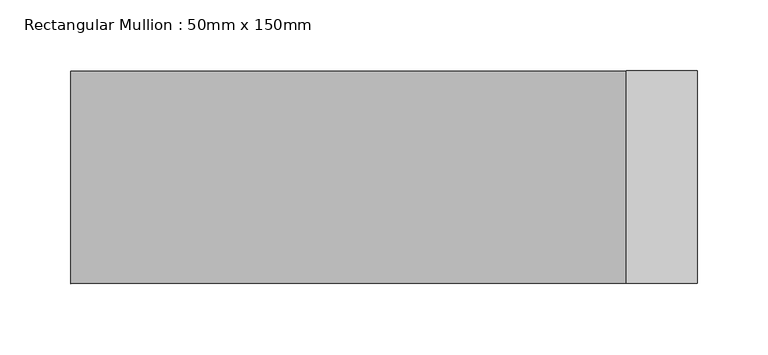
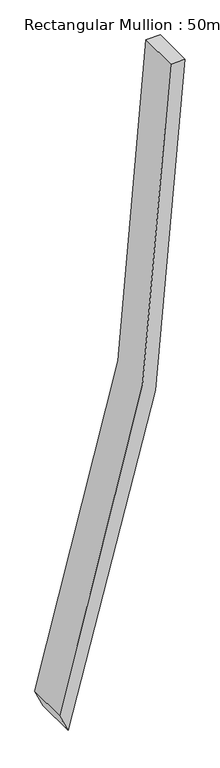
"""IFC4 building model written with IfcOpenShell, lengths in millimetres: member geometry, Rectangular Mullion : 50mm x 150mm."""

from ifc_helpers import new_model, si_unit, point, frame, frame_2d, origin, place, context, project, spatial, polyline, circle_curve, trimmed, segment, composite_curve, outline, extrude, source, transform, mapped, element, save


def rectangular_mullion_50mm_x_150mm_f9e3abad(model_context):
    return source(origin(), model_context, "Body", "SweptSolid", [
        extrude(outline(composite_curve([segment(trimmed(circle_curve(frame_2d((0.0, -6914.0186607)), 6914.0186607), [point((-2351.8533559, -412.2927489))], [point((0.0, 0.0))], False, "CARTESIAN"), True, "CONTINUOUS"), segment(polyline([(0.0, 0.0), (0.0, -50.0)]), True, "CONTINUOUS"), segment(trimmed(circle_curve(frame_2d((0.0, -6914.0186607)), 6864.0186607), [point((0.0, -50.0))], [point((-2287.5921532, -442.4134259))], True, "CARTESIAN"), True, "CONTINUOUS"), segment(polyline([(-2287.5921532, -442.4134259), (-2351.8533559, -412.2927489)]), True, "CONTINUOUS")], self_intersect=False)), frame((0.0, -75.0, 0.0), z_axis=(0.0, 1.0, 0.0), x_axis=(0.0, 0.0, 1.0)), (0.0, 0.0, 1.0), 150.0),
    ])


if __name__ == "__main__":
    model = new_model("IFC4")
    model_context = context("Model", 3, world=origin())
    ifc_project = project(units=[si_unit("LENGTHUNIT", "METRE", prefix="MILLI")], contexts=[model_context])
    site = spatial("IfcSite", under=ifc_project)
    building = spatial("IfcBuilding", under=site)
    placement = place(None, origin())
    rectangular_mullion_50mm_x_150mm_shape = rectangular_mullion_50mm_x_150mm_f9e3abad(model_context)
    element("IfcMember", 1, ObjectType="Rectangular Mullion : 50mm x 150mm", at=placement, inside=building, context=model_context, shape_type="MappedRepresentation", body=[
        mapped(rectangular_mullion_50mm_x_150mm_shape, transform((0.0, 0.0, 0.0), x_axis=(1.0, 0.0, 0.0), y_axis=(0.0, 1.0, 0.0), z_axis=(0.0, 0.0, 1.0))),
    ])
    save(model, "model.ifc")
